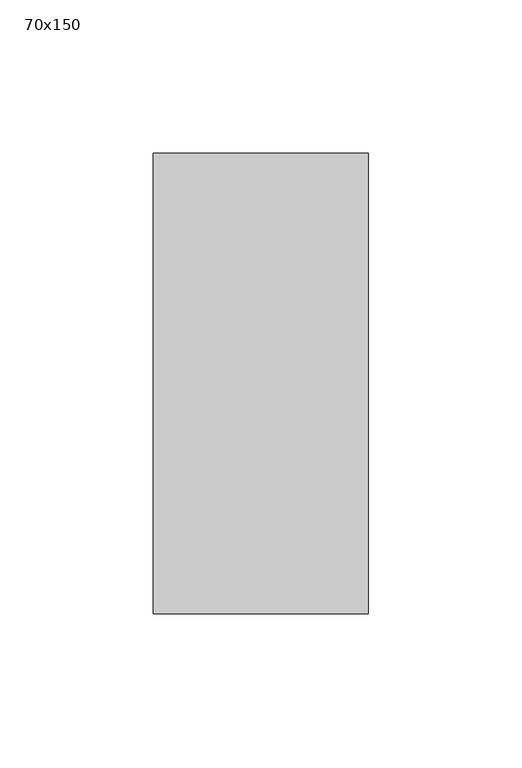
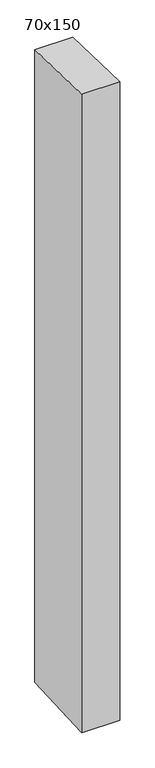
"""IFC4 building model written with IfcOpenShell, lengths in millimetres: member geometry, 70x150."""

from ifc_helpers import new_model, si_unit, frame, origin, place, context, project, spatial, polyline, outline, extrude, source, transform, mapped, element, save


def member_70x150_8ec38743(model_context):
    return source(origin(), model_context, "Body", "SweptSolid", [
        extrude(outline(polyline([(-75.0, 2.1669049), (75.0, -2.1669049), (75.0, -1237.2320256), (-75.0, -1244.7468475), (-75.0, 2.1669049)])), frame((-35.0, 0.0, 0.0), z_axis=(1.0, 0.0, 0.0), x_axis=(0.0, 1.0, 0.0)), (0.0, 0.0, 1.0), 70.0),
    ])


if __name__ == "__main__":
    model = new_model("IFC4")
    model_context = context("Model", 3, world=origin())
    ifc_project = project(units=[si_unit("LENGTHUNIT", "METRE", prefix="MILLI")], contexts=[model_context])
    site = spatial("IfcSite", under=ifc_project)
    building = spatial("IfcBuilding", under=site)
    placement = place(None, origin())
    member_70x150_shape = member_70x150_8ec38743(model_context)
    element("IfcMember", 1, ObjectType="70x150", at=placement, inside=building, context=model_context, shape_type="MappedRepresentation", body=[
        mapped(member_70x150_shape, transform((0.0, 0.0, 0.0), x_axis=(1.0, 0.0, 0.0), y_axis=(0.0, 1.0, 0.0), z_axis=(0.0, 0.0, 1.0))),
    ])
    save(model, "model.ifc")
